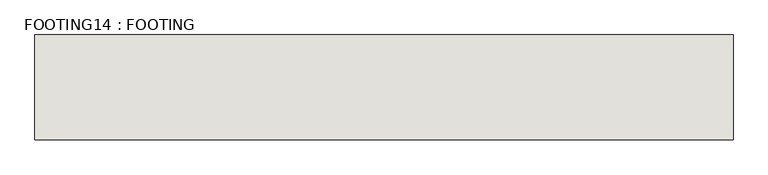
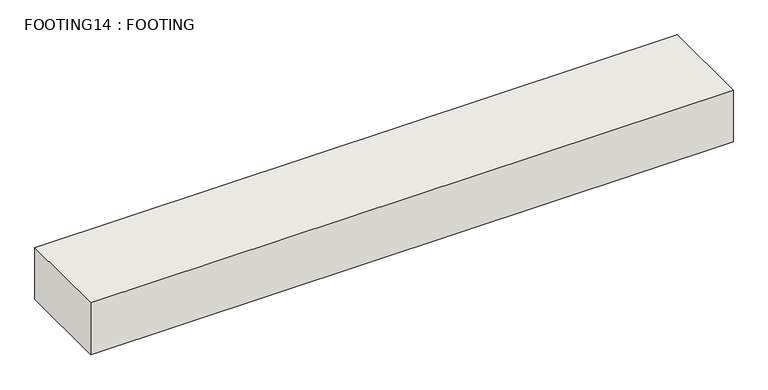
"""IFC4 building model written with IfcOpenShell, lengths in millimetres: wall geometry, FOOTING14 : FOOTING."""

from ifc_helpers import new_model, si_unit, frame, origin, place, context, project, spatial, polyline, outline, extrude, source, transform, mapped, element, save


def footing14_footing_32d28378(model_context):
    return source(origin(), model_context, "Body", "SweptSolid", [
        extrude(outline(polyline([(567.8214018, 3747.5152891), (567.8214018, 3366.5152891), (-1972.1785982, 3366.5152891), (-1972.1785982, 3747.5152891), (567.8214018, 3747.5152891)])), frame((0.0, 0.0, -219.075), z_axis=(0.0, 0.0, 1.0), x_axis=(1.0, 0.0, 0.0)), (0.0, 0.0, 1.0), 215.9),
    ])


if __name__ == "__main__":
    model = new_model("IFC4")
    model_context = context("Model", 3, world=origin())
    ifc_project = project(units=[si_unit("LENGTHUNIT", "METRE", prefix="MILLI")], contexts=[model_context])
    site = spatial("IfcSite", under=ifc_project)
    building = spatial("IfcBuilding", under=site)
    placement = place(None, origin())
    footing14_footing_shape = footing14_footing_32d28378(model_context)
    element("IfcWall", 1, ObjectType="FOOTING14 : FOOTING", at=placement, inside=building, context=model_context, shape_type="MappedRepresentation", body=[
        mapped(footing14_footing_shape, transform((0.0, 0.0, 0.0), x_axis=(1.0, 0.0, 0.0), y_axis=(0.0, 1.0, 0.0), z_axis=(0.0, 0.0, 1.0))),
    ])
    save(model, "model.ifc")
